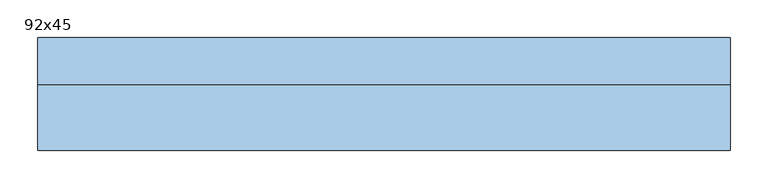
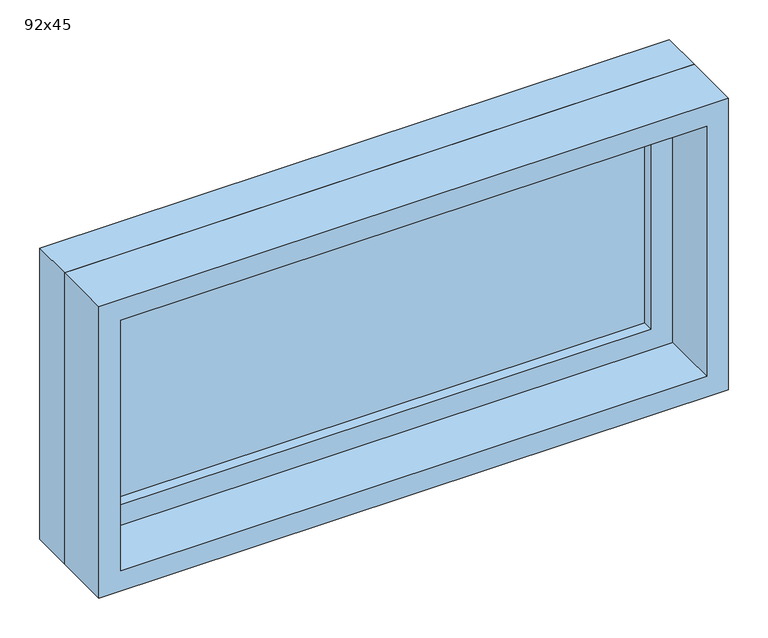
"""IFC4 building model written with IfcOpenShell, lengths in millimetres: window geometry, 92x45."""

from ifc_helpers import new_model, si_unit, frame, origin, place, context, project, spatial, polyline, outline, extrude, source, transform, mapped, element, save


def window_92x45_3a8f2c79(model_context):
    return source(origin(), model_context, "Body", "SweptSolid", [
        extrude(outline(polyline([(358.4, 27.375), (-434.6, 27.375), (-434.6, 40.075), (358.4, 40.075), (358.4, 27.375)])), frame((0.0, 0.0, 977.9), z_axis=(0.0, 0.0, 1.0), x_axis=(1.0, 0.0, 0.0)), (0.0, 0.0, 1.0), 323.0),
        extrude(outline(polyline([(1345.35, -479.05), (933.45, -479.05), (933.45, 402.85), (1345.35, 402.85), (1345.35, -479.05)]), holes=[polyline([(1300.9, -434.6), (1300.9, 358.4), (977.9, 358.4), (977.9, -434.6), (1300.9, -434.6)])]), frame((0.0, 11.5, 0.0), z_axis=(0.0, 1.0, 0.0), x_axis=(0.0, 0.0, 1.0)), (0.0, 0.0, 1.0), 44.45),
        extrude(outline(polyline([(1364.4, -498.1), (914.4, -498.1), (914.4, 421.9), (1364.4, 421.9), (1364.4, -498.1)]), holes=[polyline([(1332.65, -466.35), (1332.65, 390.15), (946.15, 390.15), (946.15, -466.35), (1332.65, -466.35)])]), frame((0.0, -75.0, 0.0), z_axis=(0.0, 1.0, 0.0), x_axis=(0.0, 0.0, 1.0)), (0.0, 0.0, 1.0), 86.5),
        extrude(outline(polyline([(1364.4, 421.9), (1364.4, -498.1), (914.4, -498.1), (914.4, 421.9), (1364.4, 421.9)]), holes=[polyline([(1345.35, 402.85), (933.45, 402.85), (933.45, -479.05), (1345.35, -479.05), (1345.35, 402.85)])]), frame((0.0, 11.5, 0.0), z_axis=(0.0, 1.0, 0.0), x_axis=(0.0, 0.0, 1.0)), (0.0, 0.0, 1.0), 63.5),
    ])


if __name__ == "__main__":
    model = new_model("IFC4")
    model_context = context("Model", 3, world=origin())
    ifc_project = project(units=[si_unit("LENGTHUNIT", "METRE", prefix="MILLI")], contexts=[model_context])
    site = spatial("IfcSite", under=ifc_project)
    building = spatial("IfcBuilding", under=site)
    placement = place(None, origin())
    window_92x45_shape = window_92x45_3a8f2c79(model_context)
    element("IfcWindow", 1, ObjectType="92x45", at=placement, inside=building, context=model_context, shape_type="MappedRepresentation", body=[
        mapped(window_92x45_shape, transform((0.0, 0.0, 0.0), x_axis=(1.0, 0.0, 0.0), y_axis=(0.0, 1.0, 0.0), z_axis=(0.0, 0.0, 1.0))),
    ])
    save(model, "model.ifc")
